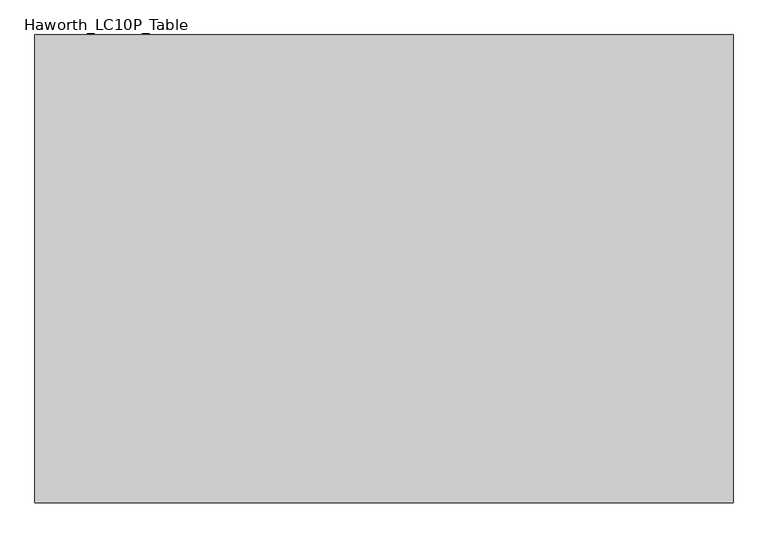
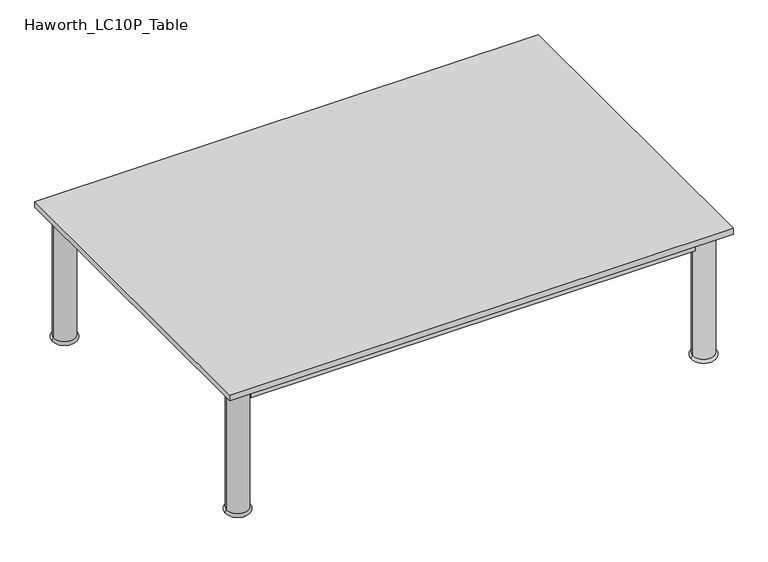
"""IFC4 building model written with IfcOpenShell, lengths in millimetres: furniture geometry, Haworth_LC10P_Table."""

from ifc_helpers import new_model, si_unit, point, frame, origin, place, context, project, spatial, polyline, circle_curve, ellipse_curve, trimmed, outline, extrude, source, transform, mapped, element, save
from ifc_brep_helpers import plane_surface, cylinder_surface, revolved_surface, advanced_brep


def haworth_lc10p_table_ffa5b0c7(model_context):
    return source(origin(), model_context, "Body", "SolidModel", [
        extrude(outline(polyline([(527.05, -350.1049408), (527.05, -369.1549408), (-527.05, -369.1549408), (-527.05, -350.1049408), (527.05, -350.1049408)])), frame((0.0, 0.0, 277.8125), z_axis=(0.0, 0.0, 1.0), x_axis=(1.0, 0.0, 0.0)), (0.0, 0.0, 1.0), 33.3375),
        extrude(outline(polyline([(527.05, 361.0950592), (527.05, 342.0450592), (-527.05, 342.0450592), (-527.05, 361.0950592), (527.05, 361.0950592)])), frame((0.0, 0.0, 277.8125), z_axis=(0.0, 0.0, 1.0), x_axis=(1.0, 0.0, 0.0)), (0.0, 0.0, 1.0), 33.3375),
        extrude(outline(polyline([(-542.925, 326.1700592), (-542.925, -334.2299408), (-561.975, -334.2299408), (-561.975, 326.1700592), (-542.925, 326.1700592)])), frame((0.0, 0.0, 277.8125), z_axis=(0.0, 0.0, 1.0), x_axis=(1.0, 0.0, 0.0)), (0.0, 0.0, 1.0), 33.3375),
        extrude(outline(polyline([(561.975, 326.1700592), (561.975, -334.2299408), (542.925, -334.2299408), (542.925, 326.1700592), (561.975, 326.1700592)])), frame((0.0, 0.0, 277.8125), z_axis=(0.0, 0.0, 1.0), x_axis=(1.0, 0.0, 0.0)), (0.0, 0.0, 1.0), 33.3375),
        advanced_brep(
        [(527.05, 351.5700592, 0.0), (577.85, 351.5700592, 0.0), (577.85, 351.5700592, 7.9375), (527.05, 351.5700592, 7.9375), (577.85, 351.5700592, 311.15), (527.05, 351.5700592, 311.15), (577.85, 351.5700592, 315.9125), (527.05, 351.5700592, 315.9125), (552.45, 351.5700592, 315.9125), (552.45, 351.5700592, 0.0)],
        [
            (0, 1, circle_curve(frame((552.45, 351.5700592, 0.0), z_axis=(0.0, 0.0, 1.0), x_axis=(1.0, 0.0, 0.0)), 25.4)),
            (1, 2, circle_curve(frame((577.85, 351.5700592, 3.96875), z_axis=(0.0, -1.0, 0.0), x_axis=(-1.0, 0.0, 0.0)), 3.96875)),
            (2, 3, circle_curve(frame((552.45, 351.5700592, 7.9375), z_axis=(0.0, 0.0, -1.0), x_axis=(1.0, 0.0, 0.0)), 25.4)),
            (3, 0, circle_curve(frame((527.05, 351.5700592, 3.96875), z_axis=(0.0, -1.0, 0.0), x_axis=(1.0, 0.0, 0.0)), 3.96875)),
            (1, 0, circle_curve(frame((552.45, 351.5700592, 0.0), z_axis=(0.0, 0.0, 1.0), x_axis=(1.0, 0.0, 0.0)), 25.4)),
            (3, 2, circle_curve(frame((552.45, 351.5700592, 7.9375), z_axis=(0.0, 0.0, -1.0), x_axis=(1.0, 0.0, 0.0)), 25.4)),
            (2, 4),
            (4, 5, circle_curve(frame((552.45, 351.5700592, 311.15), z_axis=(0.0, 0.0, -1.0), x_axis=(1.0, 0.0, 0.0)), 25.4)),
            (5, 3),
            (5, 4, circle_curve(frame((552.45, 351.5700592, 311.15), z_axis=(0.0, 0.0, -1.0), x_axis=(1.0, 0.0, 0.0)), 25.4)),
            (4, 6),
            (6, 7, circle_curve(frame((552.45, 351.5700592, 315.9125), z_axis=(0.0, 0.0, -1.0), x_axis=(1.0, 0.0, 0.0)), 25.4)),
            (7, 5),
            (7, 6, circle_curve(frame((552.45, 351.5700592, 315.9125), z_axis=(0.0, 0.0, -1.0), x_axis=(1.0, 0.0, 0.0)), 25.4)),
            (6, 8),
            (8, 7),
            (9, 1),
            (0, 9),
        ],
        [
            revolved_surface(trimmed(ellipse_curve(frame((577.85, 351.5700592, 3.96875), z_axis=(0.0, 1.0, 0.0), x_axis=(-1.0, 0.0, 0.0)), 3.96875, 3.96875), [point((577.85, 351.5700592, 7.9375))], [point((577.85, 351.5700592, 0.0))], True, "CARTESIAN"), (552.45, 351.5700592, 2070.1), (0.0, 0.0, -1.0)),
            cylinder_surface(frame((552.45, 351.5700592, 2070.1), z_axis=(0.0, 0.0, -1.0), x_axis=(1.0, 0.0, 0.0)), 25.4),
            plane_surface(frame((552.45, 351.5700592, 315.9125), z_axis=(0.0, 0.0, 1.0), x_axis=(1.0, 0.0, 0.0))),
            plane_surface(frame((552.45, 351.5700592, 0.0), z_axis=(0.0, 0.0, -1.0), x_axis=(1.0, 0.0, 0.0))),
        ],
        [
            (0, [[1, 2, 3, 4]]),
            (0, [[5, -4, 6, -2]]),
            (1, [[-3, 7, 8, 9]]),
            (1, [[-6, -9, 10, -7]]),
            (1, [[-8, 11, 12, 13]]),
            (1, [[-10, -13, 14, -11]]),
            (2, [[-12, 15, 16]]),
            (2, [[-14, -16, -15]]),
            (3, [[17, -1, 18]]),
            (3, [[-18, -5, -17]]),
        ],
    ),
        advanced_brep(
        [(-527.05, 351.5700592, 7.9375), (-577.85, 351.5700592, 7.9375), (-577.85, 351.5700592, 0.0), (-527.05, 351.5700592, 0.0), (-527.05, 351.5700592, 311.15), (-577.85, 351.5700592, 311.15), (-527.05, 351.5700592, 315.9125), (-577.85, 351.5700592, 315.9125), (-552.45, 351.5700592, 315.9125), (-552.45, 351.5700592, 0.0)],
        [
            (0, 1, circle_curve(frame((-552.45, 351.5700592, 7.9375), z_axis=(0.0, 0.0, -1.0), x_axis=(-1.0, 0.0, 0.0)), 25.4)),
            (1, 2, circle_curve(frame((-577.85, 351.5700592, 3.96875), z_axis=(0.0, -1.0, 0.0), x_axis=(-1.0, 0.0, 0.0)), 3.96875)),
            (2, 3, circle_curve(frame((-552.45, 351.5700592, 0.0), z_axis=(0.0, 0.0, 1.0), x_axis=(-1.0, 0.0, 0.0)), 25.4)),
            (3, 0, circle_curve(frame((-527.05, 351.5700592, 3.96875), z_axis=(0.0, -1.0, 0.0), x_axis=(1.0, 0.0, 0.0)), 3.96875)),
            (1, 0, circle_curve(frame((-552.45, 351.5700592, 7.9375), z_axis=(0.0, 0.0, -1.0), x_axis=(-1.0, 0.0, 0.0)), 25.4)),
            (3, 2, circle_curve(frame((-552.45, 351.5700592, 0.0), z_axis=(0.0, 0.0, 1.0), x_axis=(-1.0, 0.0, 0.0)), 25.4)),
            (4, 5, circle_curve(frame((-552.45, 351.5700592, 311.15), z_axis=(0.0, 0.0, -1.0), x_axis=(-1.0, 0.0, 0.0)), 25.4)),
            (5, 1),
            (0, 4),
            (5, 4, circle_curve(frame((-552.45, 351.5700592, 311.15), z_axis=(0.0, 0.0, -1.0), x_axis=(-1.0, 0.0, 0.0)), 25.4)),
            (6, 7, circle_curve(frame((-552.45, 351.5700592, 315.9125), z_axis=(0.0, 0.0, -1.0), x_axis=(-1.0, 0.0, 0.0)), 25.4)),
            (7, 5),
            (4, 6),
            (7, 6, circle_curve(frame((-552.45, 351.5700592, 315.9125), z_axis=(0.0, 0.0, -1.0), x_axis=(-1.0, 0.0, 0.0)), 25.4)),
            (8, 7),
            (6, 8),
            (2, 9),
            (9, 3),
        ],
        [
            revolved_surface(trimmed(ellipse_curve(frame((-577.85, 351.5700592, 3.96875), z_axis=(0.0, 1.0, 0.0), x_axis=(-1.0, 0.0, 0.0)), 3.96875, 3.96875), [point((-577.85, 351.5700592, 0.0))], [point((-577.85, 351.5700592, 7.9375))], True, "CARTESIAN"), (-552.45, 351.5700592, 2070.1), (0.0, 0.0, 1.0)),
            cylinder_surface(frame((-552.45, 351.5700592, 2070.1), z_axis=(0.0, 0.0, 1.0), x_axis=(-1.0, 0.0, 0.0)), 25.4),
            plane_surface(frame((-552.45, 351.5700592, 315.9125), z_axis=(0.0, 0.0, 1.0), x_axis=(-1.0, 0.0, 0.0))),
            plane_surface(frame((-552.45, 351.5700592, 0.0), z_axis=(0.0, 0.0, -1.0), x_axis=(-1.0, 0.0, 0.0))),
        ],
        [
            (0, [[1, 2, 3, 4]]),
            (0, [[5, -4, 6, -2]]),
            (1, [[7, 8, -1, 9]]),
            (1, [[10, -9, -5, -8]]),
            (1, [[11, 12, -7, 13]]),
            (1, [[14, -13, -10, -12]]),
            (2, [[15, -11, 16]]),
            (2, [[-16, -14, -15]]),
            (3, [[-3, 17, 18]]),
            (3, [[-6, -18, -17]]),
        ],
    ),
        advanced_brep(
        [(526.7957141, -359.6299408, 0.0), (578.1042859, -359.6299408, 0.0), (577.85, -359.6299408, 7.9293453), (527.05, -359.6299408, 7.9293453), (577.85, -359.6299408, 311.15), (527.05, -359.6299408, 311.15), (577.85, -359.6299408, 315.9125), (527.05, -359.6299408, 315.9125), (552.45, -359.6299408, 315.9125), (552.45, -359.6299408, 0.0)],
        [
            (0, 1, circle_curve(frame((552.45, -359.6299408, 0.0), z_axis=(0.0, 0.0, 1.0), x_axis=(1.0, 0.0, 0.0)), 25.6542859)),
            (1, 2, circle_curve(frame((578.1042859, -359.6299408, 3.96875), z_axis=(0.0, -1.0, 0.0), x_axis=(1.0, 0.0, 0.0)), 3.96875)),
            (2, 3, circle_curve(frame((552.45, -359.6299408, 7.9293453), z_axis=(0.0, 0.0, -1.0), x_axis=(1.0, 0.0, 0.0)), 25.4)),
            (3, 0, circle_curve(frame((526.7957141, -359.6299408, 3.96875), z_axis=(0.0, -1.0, 0.0), x_axis=(-1.0, 0.0, 0.0)), 3.96875)),
            (1, 0, circle_curve(frame((552.45, -359.6299408, 0.0), z_axis=(0.0, 0.0, 1.0), x_axis=(1.0, 0.0, 0.0)), 25.6542859)),
            (3, 2, circle_curve(frame((552.45, -359.6299408, 7.9293453), z_axis=(0.0, 0.0, -1.0), x_axis=(1.0, 0.0, 0.0)), 25.4)),
            (2, 4),
            (4, 5, circle_curve(frame((552.45, -359.6299408, 311.15), z_axis=(0.0, 0.0, -1.0), x_axis=(1.0, 0.0, 0.0)), 25.4)),
            (5, 3),
            (5, 4, circle_curve(frame((552.45, -359.6299408, 311.15), z_axis=(0.0, 0.0, -1.0), x_axis=(1.0, 0.0, 0.0)), 25.4)),
            (4, 6),
            (6, 7, circle_curve(frame((552.45, -359.6299408, 315.9125), z_axis=(0.0, 0.0, -1.0), x_axis=(1.0, 0.0, 0.0)), 25.4)),
            (7, 5),
            (7, 6, circle_curve(frame((552.45, -359.6299408, 315.9125), z_axis=(0.0, 0.0, -1.0), x_axis=(1.0, 0.0, 0.0)), 25.4)),
            (6, 8),
            (8, 7),
            (9, 1),
            (0, 9),
        ],
        [
            revolved_surface(trimmed(ellipse_curve(frame((578.1042859, -359.6299408, 3.96875), z_axis=(0.0, 1.0, 0.0), x_axis=(1.0, 0.0, 0.0)), 3.96875, 3.96875), [point((577.85, -359.6299408, 7.9293453))], [point((578.1042859, -359.6299408, 0.0))], True, "CARTESIAN"), (552.45, -359.6299408, 2070.1), (0.0, 0.0, -1.0)),
            cylinder_surface(frame((552.45, -359.6299408, 2070.1), z_axis=(0.0, 0.0, -1.0), x_axis=(1.0, 0.0, 0.0)), 25.4),
            plane_surface(frame((552.45, -359.6299408, 315.9125), z_axis=(0.0, 0.0, 1.0), x_axis=(1.0, 0.0, 0.0))),
            plane_surface(frame((552.45, -359.6299408, 0.0), z_axis=(0.0, 0.0, -1.0), x_axis=(1.0, 0.0, 0.0))),
        ],
        [
            (0, [[1, 2, 3, 4]]),
            (0, [[5, -4, 6, -2]]),
            (1, [[-3, 7, 8, 9]]),
            (1, [[-6, -9, 10, -7]]),
            (1, [[-8, 11, 12, 13]]),
            (1, [[-10, -13, 14, -11]]),
            (2, [[-12, 15, 16]]),
            (2, [[-14, -16, -15]]),
            (3, [[17, -1, 18]]),
            (3, [[-18, -5, -17]]),
        ],
    ),
        advanced_brep(
        [(-527.05, -359.6299408, 7.9375), (-577.85, -359.6299408, 7.9375), (-577.85, -359.6299408, 0.0), (-527.05, -359.6299408, 0.0), (-527.05, -359.6299408, 311.15), (-577.85, -359.6299408, 311.15), (-527.05, -359.6299408, 315.9125), (-577.85, -359.6299408, 315.9125), (-552.45, -359.6299408, 315.9125), (-552.45, -359.6299408, 0.0)],
        [
            (0, 1, circle_curve(frame((-552.45, -359.6299408, 7.9375), z_axis=(0.0, 0.0, -1.0), x_axis=(-1.0, 0.0, 0.0)), 25.4)),
            (1, 2, circle_curve(frame((-577.85, -359.6299408, 3.96875), z_axis=(0.0, -1.0, 0.0), x_axis=(-1.0, 0.0, 0.0)), 3.96875)),
            (2, 3, circle_curve(frame((-552.45, -359.6299408, 0.0), z_axis=(0.0, 0.0, 1.0), x_axis=(-1.0, 0.0, 0.0)), 25.4)),
            (3, 0, circle_curve(frame((-527.05, -359.6299408, 3.96875), z_axis=(0.0, -1.0, 0.0), x_axis=(1.0, 0.0, 0.0)), 3.96875)),
            (1, 0, circle_curve(frame((-552.45, -359.6299408, 7.9375), z_axis=(0.0, 0.0, -1.0), x_axis=(-1.0, 0.0, 0.0)), 25.4)),
            (3, 2, circle_curve(frame((-552.45, -359.6299408, 0.0), z_axis=(0.0, 0.0, 1.0), x_axis=(-1.0, 0.0, 0.0)), 25.4)),
            (4, 5, circle_curve(frame((-552.45, -359.6299408, 311.15), z_axis=(0.0, 0.0, -1.0), x_axis=(-1.0, 0.0, 0.0)), 25.4)),
            (5, 1),
            (0, 4),
            (5, 4, circle_curve(frame((-552.45, -359.6299408, 311.15), z_axis=(0.0, 0.0, -1.0), x_axis=(-1.0, 0.0, 0.0)), 25.4)),
            (6, 7, circle_curve(frame((-552.45, -359.6299408, 315.9125), z_axis=(0.0, 0.0, -1.0), x_axis=(-1.0, 0.0, 0.0)), 25.4)),
            (7, 5),
            (4, 6),
            (7, 6, circle_curve(frame((-552.45, -359.6299408, 315.9125), z_axis=(0.0, 0.0, -1.0), x_axis=(-1.0, 0.0, 0.0)), 25.4)),
            (8, 7),
            (6, 8),
            (2, 9),
            (9, 3),
        ],
        [
            revolved_surface(trimmed(ellipse_curve(frame((-577.85, -359.6299408, 3.96875), z_axis=(0.0, 1.0, 0.0), x_axis=(-1.0, 0.0, 0.0)), 3.96875, 3.96875), [point((-577.85, -359.6299408, 0.0))], [point((-577.85, -359.6299408, 7.9375))], True, "CARTESIAN"), (-552.45, -359.6299408, 2070.1), (0.0, 0.0, 1.0)),
            cylinder_surface(frame((-552.45, -359.6299408, 2070.1), z_axis=(0.0, 0.0, 1.0), x_axis=(-1.0, 0.0, 0.0)), 25.4),
            plane_surface(frame((-552.45, -359.6299408, 315.9125), z_axis=(0.0, 0.0, 1.0), x_axis=(-1.0, 0.0, 0.0))),
            plane_surface(frame((-552.45, -359.6299408, 0.0), z_axis=(0.0, 0.0, -1.0), x_axis=(-1.0, 0.0, 0.0))),
        ],
        [
            (0, [[1, 2, 3, 4]]),
            (0, [[5, -4, 6, -2]]),
            (1, [[7, 8, -1, 9]]),
            (1, [[10, -9, -5, -8]]),
            (1, [[11, 12, -7, 13]]),
            (1, [[14, -13, -10, -12]]),
            (2, [[15, -11, 16]]),
            (2, [[-16, -14, -15]]),
            (3, [[-3, 17, 18]]),
            (3, [[-6, -18, -17]]),
        ],
    ),
        extrude(outline(polyline([(596.9, 396.0200592), (596.9, -404.0799408), (-596.9, -404.0799408), (-596.9, 396.0200592), (596.9, 396.0200592)])), frame((0.0, 0.0, 315.9125), z_axis=(0.0, 0.0, 1.0), x_axis=(1.0, 0.0, 0.0)), (0.0, 0.0, 1.0), 14.2875),
    ])


if __name__ == "__main__":
    model = new_model("IFC4")
    model_context = context("Model", 3, world=origin())
    ifc_project = project(units=[si_unit("LENGTHUNIT", "METRE", prefix="MILLI")], contexts=[model_context])
    site = spatial("IfcSite", under=ifc_project)
    building = spatial("IfcBuilding", under=site)
    placement = place(None, origin())
    haworth_lc10p_table_shape = haworth_lc10p_table_ffa5b0c7(model_context)
    element("IfcFurniture", 1, ObjectType="Haworth_LC10P_Table", at=placement, inside=building, context=model_context, shape_type="MappedRepresentation", body=[
        mapped(haworth_lc10p_table_shape, transform((0.0, 0.0, 0.0), x_axis=(1.0, 0.0, 0.0), y_axis=(0.0, 1.0, 0.0), z_axis=(0.0, 0.0, 1.0))),
    ])
    save(model, "model.ifc")
